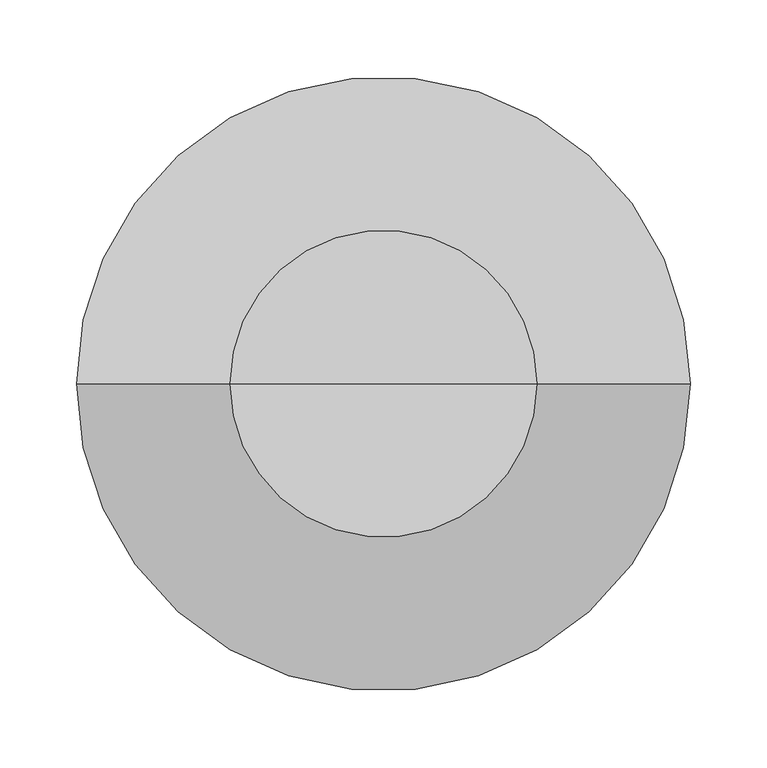
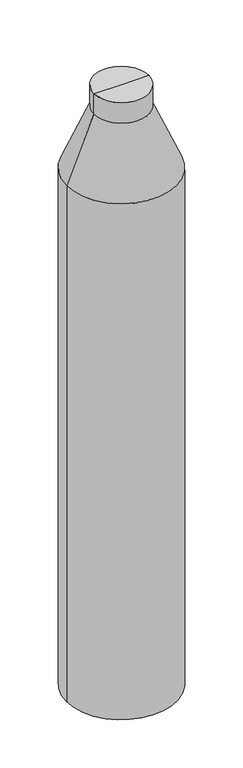
"""IFC4 building model written with IfcOpenShell, lengths in millimetres: column geometry."""

import ifcopenshell
import ifcopenshell.guid

model = None  # the IFC model being written
_history = None  # IfcOwnerHistory: only IFC2X3 demands one
_inside = {}  # id of a spatial element -> (the spatial element, [elements in it])
_under = {}  # id of a project, library or spatial element -> (it, [spatial elements below it])
_declared = {}  # id of a project -> (the project, [libraries it declares])
_typed = {}  # id of a type object -> (the type object, [elements of that type])
_made_of = {}  # id of a material, layer set ... -> (it, [elements and type objects made of it])


def new_model(schema):
    """Start an empty IFC model of exactly this schema.

    Asked for "IFC4X3", IfcOpenShell would pick the latest addendum, in which some entities
    have other attributes; the version numbers below select the first issue.
    IFC2X3 requires an IfcOwnerHistory on every rooted entity: one is made here for all.
    """
    global model, _history
    if schema == "IFC4X3":
        model = ifcopenshell.file(schema_version=(4, 3, 0, 0))
    else:
        model = ifcopenshell.file(schema=schema)
    _inside.clear()
    _under.clear()
    _declared.clear()
    _typed.clear()
    _made_of.clear()
    _history = None
    if model.schema == "IFC2X3":
        org = make("IfcOrganization", Name="unknown")
        user = make(
            "IfcPersonAndOrganization",
            ThePerson=make("IfcPerson", FamilyName="unknown"),
            TheOrganization=org,
        )
        app = make(
            "IfcApplication",
            ApplicationDeveloper=org,
            Version="unknown",
            ApplicationFullName="unknown",
            ApplicationIdentifier="unknown",
        )
        _history = make(
            "IfcOwnerHistory",
            OwningUser=user,
            OwningApplication=app,
            ChangeAction="ADDED",
            CreationDate=0,
        )
    return model


def make(cls, **values):
    """One entity of the class cls with the attributes given. An attribute that is None is left unset."""
    return model.create_entity(
        cls, **{name: value for name, value in values.items() if value is not None}
    )


def rooted(cls, **values):
    """An entity with a GlobalId (a new one), such as an element, a storey or a relation."""
    return make(cls, GlobalId=ifcopenshell.guid.new(), OwnerHistory=_history, **values)


def si_unit(unit_type, name, prefix=None):
    """IfcSIUnit, for example si_unit("LENGTHUNIT", "METRE", prefix="MILLI")."""
    return make("IfcSIUnit", UnitType=unit_type, Prefix=prefix, Name=name)


def assignment(units):
    """IfcUnitAssignment: the units of a project."""
    return None if units is None else make("IfcUnitAssignment", Units=units)


def point(xyz):
    """IfcCartesianPoint."""
    return None if xyz is None else make("IfcCartesianPoint", Coordinates=xyz)


def direction(xyz):
    """IfcDirection."""
    return None if xyz is None else make("IfcDirection", DirectionRatios=xyz)


def frame(location, z_axis=None, x_axis=None):
    """IfcAxis2Placement3D, a coordinate frame: its origin and axes. An axis left out is left unset."""
    return make(
        "IfcAxis2Placement3D",
        Location=point(location),
        Axis=direction(z_axis),
        RefDirection=direction(x_axis),
    )


def origin():
    """The frame at (0, 0, 0) with its axes left unset."""
    return frame((0.0, 0.0, 0.0))


def place(relative_to, where):
    """IfcLocalPlacement: puts the frame where relative to a parent placement (None: the world)."""
    return make(
        "IfcLocalPlacement", PlacementRelTo=relative_to, RelativePlacement=where
    )


def context(
    kind, dimensions, precision=None, world=None, true_north=None, identifier=None
):
    """IfcGeometricRepresentationContext, for example the 3D "Model" context."""
    return make(
        "IfcGeometricRepresentationContext",
        ContextIdentifier=identifier,
        ContextType=kind,
        CoordinateSpaceDimension=dimensions,
        Precision=precision,
        WorldCoordinateSystem=world,
        TrueNorth=true_north,
    )


def project(units=None, contexts=None):
    """IfcProject with its units and contexts."""
    return rooted(
        "IfcProject",
        Name="project",
        RepresentationContexts=contexts,
        UnitsInContext=assignment(units),
    )


def spatial(cls, under=None, at=None, **own):
    """A site, building, storey or space (cls), placed at a placement, below another one or the project."""
    s = rooted(cls, ObjectPlacement=at, **own)
    if under is not None:
        _under.setdefault(under.id(), (under, []))[1].append(s)
    return s


def polyline(points):
    """IfcPolyline through the points."""
    return make("IfcPolyline", Points=[point(p) for p in points])


def circle_curve(where, radius):
    """IfcCircle in the frame where."""
    return make("IfcCircle", Position=where, Radius=radius)


def shape(context_of_items, identifier, shape_type, items):
    """IfcShapeRepresentation: the items that make up one representation, for example the "Body"."""
    return make(
        "IfcShapeRepresentation",
        ContextOfItems=context_of_items,
        RepresentationIdentifier=identifier,
        RepresentationType=shape_type,
        Items=items,
    )


def source(mapping_origin, context_of_items, identifier, shape_type, items):
    """IfcRepresentationMap: a shape defined once, which mapped items show again and again."""
    return make(
        "IfcRepresentationMap",
        MappingOrigin=mapping_origin,
        MappedRepresentation=shape(context_of_items, identifier, shape_type, items),
    )


def transform(
    local_origin,
    x_axis=None,
    y_axis=None,
    z_axis=None,
    scale=None,
    scale2=None,
    scale3=None,
    uniform=True,
):
    """IfcCartesianTransformationOperator3D, or its non-uniform kind. x_axis, y_axis, z_axis: its Axis1, 2, 3."""
    if uniform:
        return make(
            "IfcCartesianTransformationOperator3D",
            Axis1=direction(x_axis),
            Axis2=direction(y_axis),
            LocalOrigin=point(local_origin),
            Scale=scale,
            Axis3=direction(z_axis),
        )
    return make(
        "IfcCartesianTransformationOperator3DnonUniform",
        Axis1=direction(x_axis),
        Axis2=direction(y_axis),
        LocalOrigin=point(local_origin),
        Scale=scale,
        Axis3=direction(z_axis),
        Scale2=scale2,
        Scale3=scale3,
    )


def mapped(mapping_source, mapping_target):
    """IfcMappedItem: shows the shape of a source again, moved by a transform."""
    return make(
        "IfcMappedItem", MappingSource=mapping_source, MappingTarget=mapping_target
    )


def made_of(thing, what):
    """Note that an element or type object is made of a material, layer set ...; save() writes the relation."""
    if what is not None:
        _made_of.setdefault(what.id(), (what, []))[1].append(thing)
    return thing


def element(
    cls,
    number,
    at=None,
    inside=None,
    cuts=None,
    type_object=None,
    material=None,
    context=None,
    identifier="Body",
    shape_type=None,
    held_by="IfcProductDefinitionShape",
    body=None,
    shapes=None,
    **own,
):
    """One element of the class cls, such as IfcWall. Its Tag is "e" and its number.

    at: its placement. inside: the storey or other place that contains it. cuts: it is an
    opening in that element (IfcRelVoidsElement). A single representation is given by context,
    identifier, shape_type and body (its items); several are given by shapes. held_by: the class
    of the entity that holds the representations. save() writes the other relations.
    """
    e = rooted(cls, Tag="e%d" % number, ObjectPlacement=at, **own)
    if body is not None:
        shapes = [shape(context, identifier, shape_type, body)]
    if shapes is not None:
        e.Representation = make(held_by, Representations=shapes)
    if inside is not None:
        _inside.setdefault(inside.id(), (inside, []))[1].append(e)
    if cuts is not None:
        rooted(
            "IfcRelVoidsElement", RelatingBuildingElement=cuts, RelatedOpeningElement=e
        )
    if type_object is not None:
        _typed.setdefault(type_object.id(), (type_object, []))[1].append(e)
    return made_of(e, material)


def aggregate(whole, parts):
    """IfcRelAggregates: a whole, such as a stair, and the parts it consists of."""
    return rooted("IfcRelAggregates", RelatingObject=whole, RelatedObjects=parts)


def save(model, path):
    """Write the relations noted so far, then the file.

    IfcRelAggregates (storeys below a building ...), IfcRelContainedInSpatialStructure (elements
    in a storey), IfcRelDefinesByType, IfcRelAssociatesMaterial and IfcRelDeclares: one each for
    every whole, place, type object, material and project.
    """
    for whole, parts in _under.values():
        aggregate(whole, parts)
    for where, things in _inside.values():
        rooted(
            "IfcRelContainedInSpatialStructure",
            RelatedElements=things,
            RelatingStructure=where,
        )
    for kind, things in _typed.values():
        rooted("IfcRelDefinesByType", RelatedObjects=things, RelatingType=kind)
    for what, things in _made_of.values():
        rooted("IfcRelAssociatesMaterial", RelatedObjects=things, RelatingMaterial=what)
    for by, libraries in _declared.values():
        rooted("IfcRelDeclares", RelatingContext=by, RelatedDefinitions=libraries)
    model.write(path)


def plane_surface(at):
    """IfcPlane: the flat surface through the origin of the frame at, square to its z axis."""
    return make("IfcPlane", Position=at)


def cylinder_surface(at, radius):
    """IfcCylindricalSurface: all points at the distance radius from the z axis of the frame at."""
    return make("IfcCylindricalSurface", Position=at, Radius=radius)


def revolved_surface(curve, axis_point, axis_direction):
    """IfcSurfaceOfRevolution: the curve turned about the line through axis_point along axis_direction."""
    return make(
        "IfcSurfaceOfRevolution",
        SweptCurve=make("IfcArbitraryOpenProfileDef", ProfileType="CURVE", Curve=curve),
        AxisPosition=make("IfcAxis1Placement", Location=point(axis_point), Axis=direction(axis_direction)),
    )


def advanced_brep(points, edges, surfaces, faces):
    """IfcAdvancedBrep: a solid bounded by faces that lie on surfaces and meet in shared edges.

    An edge is (start, end): straight between two places in points (the first is 0);
    or (start, end, curve); or (start, end, curve, False) where it runs against its curve.
    A face is (place in surfaces, loops), or (place, loops, False) where it looks against
    its surface's normal. A loop lists edges by number (the first is 1), with a minus sign
    where the edge is run from its end to its start. The first loop is the outer one.
    """
    corners = [point(p) for p in points]
    vertices = [make("IfcVertexPoint", VertexGeometry=c) for c in corners]
    made = []
    for start, end, *more in edges:
        made.append(
            make(
                "IfcEdgeCurve",
                EdgeStart=vertices[start],
                EdgeEnd=vertices[end],
                EdgeGeometry=more[0] if more else make("IfcPolyline", Points=[corners[start], corners[end]]),
                SameSense=more[1] if len(more) > 1 else True,
            )
        )
    hull = []
    for where, loops, *sense in faces:
        bounds = []
        for j, loop in enumerate(loops):
            ring = [make("IfcOrientedEdge", EdgeElement=made[abs(k) - 1], Orientation=k > 0) for k in loop]
            bounds.append(
                make(
                    "IfcFaceOuterBound" if j == 0 else "IfcFaceBound",
                    Bound=make("IfcEdgeLoop", EdgeList=ring),
                    Orientation=True,
                )
            )
        hull.append(make("IfcAdvancedFace", Bounds=bounds, FaceSurface=surfaces[where], SameSense=sense[0] if sense else True))
    return make("IfcAdvancedBrep", Outer=make("IfcClosedShell", CfsFaces=hull))


def column_275c3df5(model_context):
    return source(origin(), model_context, "Body", "AdvancedBrep", [
        advanced_brep(
        [(-200.0, 0.0, -609.125), (200.0, 0.0, -609.125), (200.0, 0.0, -2599.125), (-200.0, 0.0, -2599.125), (0.0, 0.0, -2599.125), (-100.0, 0.0, -369.125), (100.0, 0.0, -369.125), (-100.0, 0.0, -289.125), (100.0, 0.0, -289.125), (0.0, 0.0, -289.125)],
        [
            (0, 1, circle_curve(frame((0.0, 0.0, -609.125), z_axis=(0.0, 0.0, -1.0), x_axis=(1.0, 0.0, 0.0)), 200.0)),
            (1, 2),
            (2, 3, circle_curve(frame((0.0, 0.0, -2599.125), z_axis=(0.0, 0.0, 1.0), x_axis=(1.0, 0.0, 0.0)), 200.0)),
            (3, 0),
            (2, 4),
            (4, 3),
            (2, 3, circle_curve(frame((0.0, 0.0, -2599.125), z_axis=(0.0, 0.0, -1.0), x_axis=(1.0, 0.0, 0.0)), 200.0)),
            (1, 0, circle_curve(frame((0.0, 0.0, -609.125), z_axis=(0.0, 0.0, -1.0), x_axis=(1.0, 0.0, 0.0)), 200.0)),
            (5, 6, circle_curve(frame((0.0, 0.0, -369.125), z_axis=(0.0, 0.0, -1.0), x_axis=(1.0, 0.0, 0.0)), 100.0)),
            (6, 1),
            (0, 5),
            (6, 5, circle_curve(frame((0.0, 0.0, -369.125), z_axis=(0.0, 0.0, -1.0), x_axis=(1.0, 0.0, 0.0)), 100.0)),
            (7, 8, circle_curve(frame((0.0, 0.0, -289.125), z_axis=(0.0, 0.0, -1.0), x_axis=(1.0, 0.0, 0.0)), 100.0)),
            (8, 6),
            (5, 7),
            (8, 7, circle_curve(frame((0.0, 0.0, -289.125), z_axis=(0.0, 0.0, -1.0), x_axis=(1.0, 0.0, 0.0)), 100.0)),
            (9, 8),
            (7, 9),
        ],
        [
            cylinder_surface(frame((0.0, 0.0, -647.8940014), z_axis=(0.0, 0.0, 1.0), x_axis=(1.0, 0.0, 0.0)), 200.0),
            plane_surface(frame((0.0, 0.0, -2599.125), z_axis=(0.0, 0.0, -1.0), x_axis=(1.0, 0.0, 0.0))),
            revolved_surface(polyline([(200.0, 0.0, -609.125), (100.0, 0.0, -369.125)]), (0.0, 0.0, -647.8940014), (0.0, 0.0, 1.0)),
            cylinder_surface(frame((0.0, 0.0, -647.8940014), z_axis=(0.0, 0.0, 1.0), x_axis=(1.0, 0.0, 0.0)), 100.0),
            plane_surface(frame((0.0, 0.0, -289.125), z_axis=(0.0, 0.0, 1.0), x_axis=(1.0, 0.0, 0.0))),
        ],
        [
            (0, [[1, 2, 3, 4]]),
            (1, [[-3, 5, 6]]),
            (1, [[7, -6, -5]]),
            (0, [[8, -4, -7, -2]]),
            (2, [[9, 10, -1, 11]]),
            (2, [[12, -11, -8, -10]]),
            (3, [[13, 14, -9, 15]]),
            (3, [[16, -15, -12, -14]]),
            (4, [[17, -13, 18]]),
            (4, [[-18, -16, -17]]),
        ],
    ),
    ])


if __name__ == "__main__":
    model = new_model("IFC4")
    model_context = context("Model", 3, world=origin())
    ifc_project = project(units=[si_unit("LENGTHUNIT", "METRE", prefix="MILLI")], contexts=[model_context])
    site = spatial("IfcSite", under=ifc_project)
    building = spatial("IfcBuilding", under=site)
    placement = place(None, origin())
    column_shape = column_275c3df5(model_context)
    element("IfcColumn", 1, at=placement, inside=building, context=model_context, shape_type="MappedRepresentation", body=[
        mapped(column_shape, transform((0.0, 0.0, 0.0), x_axis=(1.0, 0.0, 0.0), y_axis=(0.0, 1.0, 0.0), z_axis=(0.0, 0.0, 1.0))),
    ])
    save(model, "model.ifc")
